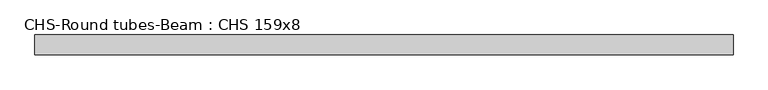
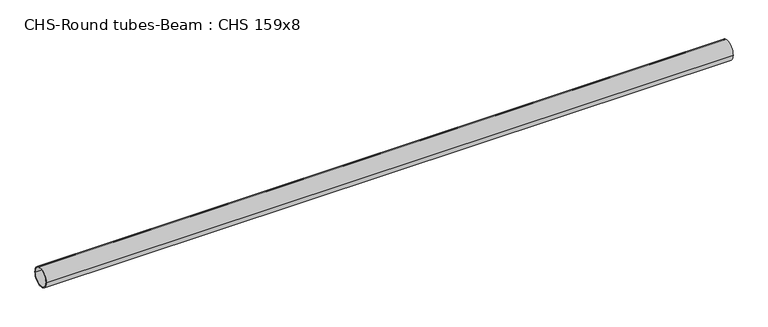
"""IFC4 building model written with IfcOpenShell, lengths in millimetres: beam geometry, CHS-Round tubes-Beam : CHS 159x8."""

from ifc_helpers import new_model, si_unit, point, frame, origin, origin_2d, place, context, project, spatial, circle_curve, trimmed, segment, composite_curve, outline, extrude, source, transform, mapped, element, save


def chs_round_tubes_beam_chs_159x8_59411366(model_context):
    return source(origin(), model_context, "Body", "SweptSolid", [
        extrude(outline(composite_curve([segment(trimmed(circle_curve(origin_2d(), 79.5), [point((79.5, 0.0))], [point((-79.5, 0.0))], False, "CARTESIAN"), True, "CONTINUOUS"), segment(trimmed(circle_curve(origin_2d(), 79.5), [point((-79.5, 0.0))], [point((79.5, 0.0))], False, "CARTESIAN"), True, "CONTINUOUS")], self_intersect=False), holes=[composite_curve([segment(trimmed(circle_curve(origin_2d(), 71.5), [point((71.5, 0.0))], [point((-71.5, 0.0))], True, "CARTESIAN"), True, "CONTINUOUS"), segment(trimmed(circle_curve(origin_2d(), 71.5), [point((-71.5, 0.0))], [point((71.5, 0.0))], True, "CARTESIAN"), True, "CONTINUOUS")], self_intersect=False)]), frame((-2802.1585849, 0.0, 0.0), z_axis=(1.0, 0.0, 0.0), x_axis=(0.0, 1.0, 0.0)), (0.0, 0.0, 1.0), 5607.1164442),
    ])


if __name__ == "__main__":
    model = new_model("IFC4")
    model_context = context("Model", 3, world=origin())
    ifc_project = project(units=[si_unit("LENGTHUNIT", "METRE", prefix="MILLI")], contexts=[model_context])
    site = spatial("IfcSite", under=ifc_project)
    building = spatial("IfcBuilding", under=site)
    placement = place(None, origin())
    chs_round_tubes_beam_chs_159x8_shape = chs_round_tubes_beam_chs_159x8_59411366(model_context)
    element("IfcBeam", 1, ObjectType="CHS-Round tubes-Beam : CHS 159x8", at=placement, inside=building, context=model_context, shape_type="MappedRepresentation", body=[
        mapped(chs_round_tubes_beam_chs_159x8_shape, transform((0.0, 0.0, 0.0), x_axis=(1.0, 0.0, 0.0), y_axis=(0.0, 1.0, 0.0), z_axis=(0.0, 0.0, 1.0))),
    ])
    save(model, "model.ifc")
